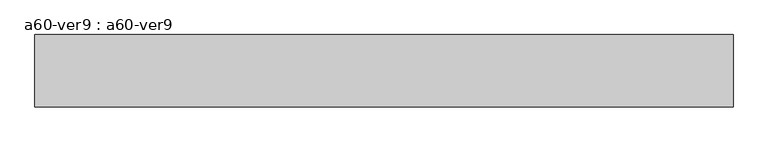
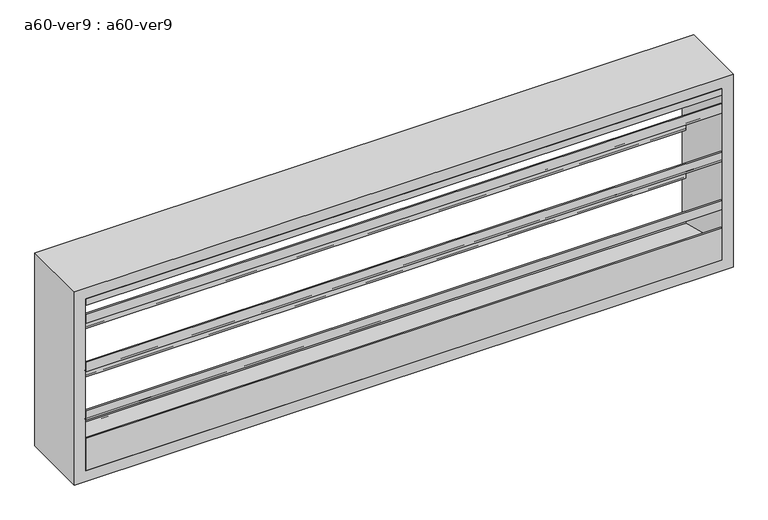
"""IFC4 building model written with IfcOpenShell, lengths in millimetres: proxy geometry, a60-ver9 : a60-ver9."""

from ifc_helpers import new_model, si_unit, frame, origin, place, context, project, spatial, polyline, outline, extrude, source, transform, mapped, element, save


def a60_ver9_a60_ver9_3ab33b70(model_context):
    return source(origin(), model_context, "Body", "SweptSolid", [
        extrude(outline(polyline([(-73.025, 1258.8657367), (-73.025, 1238.69979), (65.3071116, 1132.5538275), (65.3071116, 1114.7154476), (73.025, 1108.7933035), (73.025, 1133.5079125), (76.2, 1133.5079125), (76.2, 1104.9), (72.883344, 1104.9), (62.1321116, 1113.1497108), (62.1321116, 1130.9880908), (-76.2, 1237.1340533), (-76.2, 1258.8657367), (-73.025, 1258.8657367)])), frame((-711.2, 0.0, 0.0), z_axis=(1.0, 0.0, 0.0), x_axis=(0.0, 1.0, 0.0)), (0.0, 0.0, 1.0), 1422.4),
        extrude(outline(polyline([(-73.025, 1373.1657367), (-73.025, 1352.99979), (65.3071116, 1246.8538275), (65.3071116, 1229.0154476), (73.025, 1223.0933035), (73.025, 1247.8079125), (76.2, 1247.8079125), (76.2, 1219.2), (72.883344, 1219.2), (62.1321116, 1227.4497108), (62.1321116, 1245.2880908), (-76.2, 1351.4340533), (-76.2, 1373.1657367), (-73.025, 1373.1657367)])), frame((-711.2, 0.0, 0.0), z_axis=(1.0, 0.0, 0.0), x_axis=(0.0, 1.0, 0.0)), (0.0, 0.0, 1.0), 1422.4),
        extrude(outline(polyline([(-73.025, 1487.4657367), (-73.025, 1467.29979), (65.3071116, 1361.1538275), (65.3071116, 1343.3154476), (73.025, 1337.3933035), (73.025, 1362.1079125), (76.2, 1362.1079125), (76.2, 1333.5), (72.883344, 1333.5), (62.1321116, 1341.7497108), (62.1321116, 1359.5880908), (-76.2, 1465.7340533), (-76.2, 1487.4657367), (-73.025, 1487.4657367)])), frame((-711.2, 0.0, 0.0), z_axis=(1.0, 0.0, 0.0), x_axis=(0.0, 1.0, 0.0)), (0.0, 0.0, 1.0), 1422.4),
        extrude(outline(polyline([(0.0, 1508.125), (76.2, 1447.8), (71.0848317, 1447.8), (-5.1151683, 1508.125), (-76.2, 1508.125), (-76.2, 1524.0), (76.2, 1524.0), (0.0, 1508.125)])), frame((-711.2, 0.0, 0.0), z_axis=(1.0, 0.0, 0.0), x_axis=(0.0, 1.0, 0.0)), (0.0, 0.0, 1.0), 1422.4),
        extrude(outline(polyline([(76.2, 1117.6), (-76.2, 1117.6), (-76.2, 1193.8), (-73.025, 1193.8), (-73.025, 1155.7), (76.2, 1117.6)])), frame((-711.2, 0.0, 0.0), z_axis=(1.0, 0.0, 0.0), x_axis=(0.0, 1.0, 0.0)), (0.0, 0.0, 1.0), 1422.4),
        extrude(outline(polyline([(1092.2, -736.6), (1092.2, 736.6), (1549.4, 736.6), (1549.4, -736.6), (1092.2, -736.6)]), holes=[polyline([(1117.6, -711.2), (1524.0, -711.2), (1524.0, 711.2), (1117.6, 711.2), (1117.6, -711.2)])]), frame((0.0, -76.2, 0.0), z_axis=(0.0, 1.0, 0.0), x_axis=(0.0, 0.0, 1.0)), (0.0, 0.0, 1.0), 152.4),
    ])


if __name__ == "__main__":
    model = new_model("IFC4")
    model_context = context("Model", 3, world=origin())
    ifc_project = project(units=[si_unit("LENGTHUNIT", "METRE", prefix="MILLI")], contexts=[model_context])
    site = spatial("IfcSite", under=ifc_project)
    building = spatial("IfcBuilding", under=site)
    placement = place(None, origin())
    a60_ver9_a60_ver9_shape = a60_ver9_a60_ver9_3ab33b70(model_context)
    element("IfcBuildingElementProxy", 1, Name="a60-ver9 : a60-ver9", ObjectType="a60-ver9 : a60-ver9", at=placement, inside=building, context=model_context, shape_type="MappedRepresentation", body=[
        mapped(a60_ver9_a60_ver9_shape, transform((0.0, 0.0, 0.0), x_axis=(1.0, 0.0, 0.0), y_axis=(0.0, 1.0, 0.0), z_axis=(0.0, 0.0, 1.0))),
    ])
    save(model, "model.ifc")
